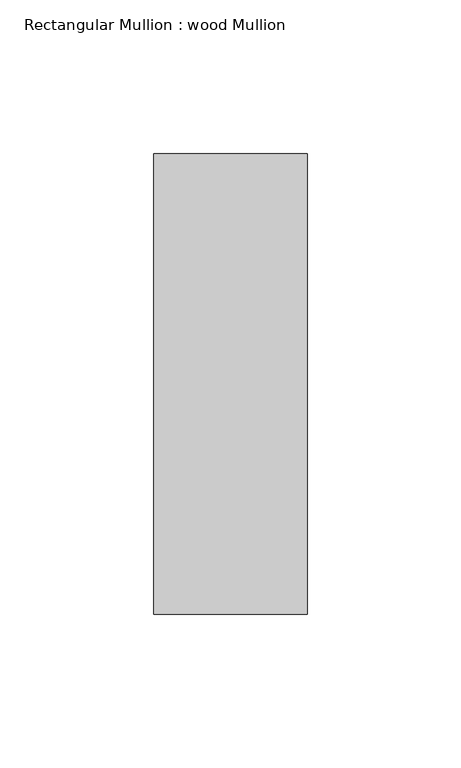
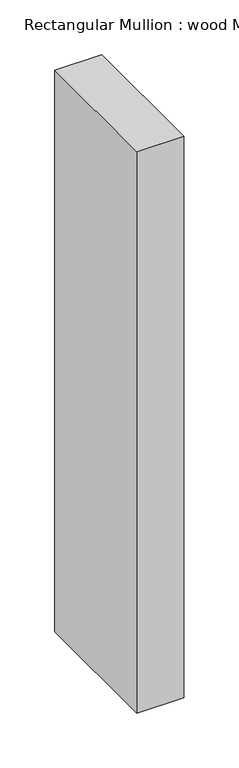
"""IFC4 building model written with IfcOpenShell, lengths in millimetres: member geometry, Rectangular Mullion : wood Mullion."""

from ifc_helpers import new_model, si_unit, frame, origin, place, context, project, spatial, polyline, outline, extrude, source, transform, mapped, element, save


def rectangular_mullion_wood_mullion_8f87ba5b(model_context):
    return source(origin(), model_context, "Body", "SweptSolid", [
        extrude(outline(polyline([(0.0, 75.0), (0.0, -75.0), (-50.0, -75.0), (-50.0, 75.0), (0.0, 75.0)])), frame((0.0, 0.0, -627.4999999), z_axis=(0.0, 0.0, 1.0), x_axis=(1.0, 0.0, 0.0)), (0.0, 0.0, 1.0), 627.4999999),
    ])


if __name__ == "__main__":
    model = new_model("IFC4")
    model_context = context("Model", 3, world=origin())
    ifc_project = project(units=[si_unit("LENGTHUNIT", "METRE", prefix="MILLI")], contexts=[model_context])
    site = spatial("IfcSite", under=ifc_project)
    building = spatial("IfcBuilding", under=site)
    placement = place(None, origin())
    rectangular_mullion_wood_mullion_shape = rectangular_mullion_wood_mullion_8f87ba5b(model_context)
    element("IfcMember", 1, ObjectType="Rectangular Mullion : wood Mullion", at=placement, inside=building, context=model_context, shape_type="MappedRepresentation", body=[
        mapped(rectangular_mullion_wood_mullion_shape, transform((0.0, 0.0, 0.0), x_axis=(1.0, 0.0, 0.0), y_axis=(0.0, 1.0, 0.0), z_axis=(0.0, 0.0, 1.0))),
    ])
    save(model, "model.ifc")
